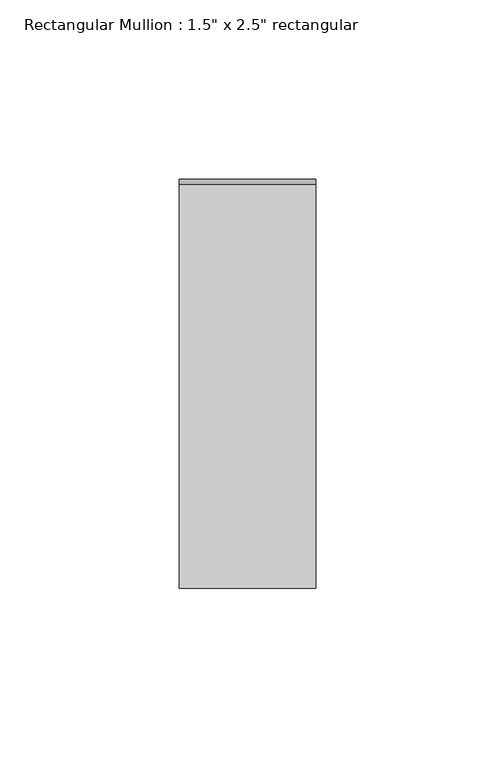
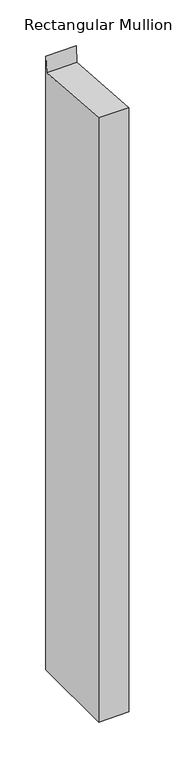
"""IFC4 building model written with IfcOpenShell, lengths in millimetres: member geometry."""

import ifcopenshell
import ifcopenshell.guid

model = None  # the IFC model being written
_history = None  # IfcOwnerHistory: only IFC2X3 demands one
_inside = {}  # id of a spatial element -> (the spatial element, [elements in it])
_under = {}  # id of a project, library or spatial element -> (it, [spatial elements below it])
_declared = {}  # id of a project -> (the project, [libraries it declares])
_typed = {}  # id of a type object -> (the type object, [elements of that type])
_made_of = {}  # id of a material, layer set ... -> (it, [elements and type objects made of it])


def new_model(schema):
    """Start an empty IFC model of exactly this schema.

    Asked for "IFC4X3", IfcOpenShell would pick the latest addendum, in which some entities
    have other attributes; the version numbers below select the first issue.
    IFC2X3 requires an IfcOwnerHistory on every rooted entity: one is made here for all.
    """
    global model, _history
    if schema == "IFC4X3":
        model = ifcopenshell.file(schema_version=(4, 3, 0, 0))
    else:
        model = ifcopenshell.file(schema=schema)
    _inside.clear()
    _under.clear()
    _declared.clear()
    _typed.clear()
    _made_of.clear()
    _history = None
    if model.schema == "IFC2X3":
        org = make("IfcOrganization", Name="unknown")
        user = make(
            "IfcPersonAndOrganization",
            ThePerson=make("IfcPerson", FamilyName="unknown"),
            TheOrganization=org,
        )
        app = make(
            "IfcApplication",
            ApplicationDeveloper=org,
            Version="unknown",
            ApplicationFullName="unknown",
            ApplicationIdentifier="unknown",
        )
        _history = make(
            "IfcOwnerHistory",
            OwningUser=user,
            OwningApplication=app,
            ChangeAction="ADDED",
            CreationDate=0,
        )
    return model


def make(cls, **values):
    """One entity of the class cls with the attributes given. An attribute that is None is left unset."""
    return model.create_entity(
        cls, **{name: value for name, value in values.items() if value is not None}
    )


def rooted(cls, **values):
    """An entity with a GlobalId (a new one), such as an element, a storey or a relation."""
    return make(cls, GlobalId=ifcopenshell.guid.new(), OwnerHistory=_history, **values)


def si_unit(unit_type, name, prefix=None):
    """IfcSIUnit, for example si_unit("LENGTHUNIT", "METRE", prefix="MILLI")."""
    return make("IfcSIUnit", UnitType=unit_type, Prefix=prefix, Name=name)


def assignment(units):
    """IfcUnitAssignment: the units of a project."""
    return None if units is None else make("IfcUnitAssignment", Units=units)


def point(xyz):
    """IfcCartesianPoint."""
    return None if xyz is None else make("IfcCartesianPoint", Coordinates=xyz)


def direction(xyz):
    """IfcDirection."""
    return None if xyz is None else make("IfcDirection", DirectionRatios=xyz)


def frame(location, z_axis=None, x_axis=None):
    """IfcAxis2Placement3D, a coordinate frame: its origin and axes. An axis left out is left unset."""
    return make(
        "IfcAxis2Placement3D",
        Location=point(location),
        Axis=direction(z_axis),
        RefDirection=direction(x_axis),
    )


def origin():
    """The frame at (0, 0, 0) with its axes left unset."""
    return frame((0.0, 0.0, 0.0))


def place(relative_to, where):
    """IfcLocalPlacement: puts the frame where relative to a parent placement (None: the world)."""
    return make(
        "IfcLocalPlacement", PlacementRelTo=relative_to, RelativePlacement=where
    )


def context(
    kind, dimensions, precision=None, world=None, true_north=None, identifier=None
):
    """IfcGeometricRepresentationContext, for example the 3D "Model" context."""
    return make(
        "IfcGeometricRepresentationContext",
        ContextIdentifier=identifier,
        ContextType=kind,
        CoordinateSpaceDimension=dimensions,
        Precision=precision,
        WorldCoordinateSystem=world,
        TrueNorth=true_north,
    )


def project(units=None, contexts=None):
    """IfcProject with its units and contexts."""
    return rooted(
        "IfcProject",
        Name="project",
        RepresentationContexts=contexts,
        UnitsInContext=assignment(units),
    )


def spatial(cls, under=None, at=None, **own):
    """A site, building, storey or space (cls), placed at a placement, below another one or the project."""
    s = rooted(cls, ObjectPlacement=at, **own)
    if under is not None:
        _under.setdefault(under.id(), (under, []))[1].append(s)
    return s


def polyline(points):
    """IfcPolyline through the points."""
    return make("IfcPolyline", Points=[point(p) for p in points])


def outline(outer, holes=None, kind="AREA"):
    """IfcArbitraryClosedProfileDef: a profile drawn as a closed curve; with holes, ...WithVoids."""
    if holes is None:
        return make("IfcArbitraryClosedProfileDef", ProfileType=kind, OuterCurve=outer)
    return make(
        "IfcArbitraryProfileDefWithVoids",
        ProfileType=kind,
        OuterCurve=outer,
        InnerCurves=holes,
    )


def extrude(swept, where, along, depth):
    """IfcExtrudedAreaSolid: the profile swept, set in the frame where, extruded along a direction by depth."""
    return make(
        "IfcExtrudedAreaSolid",
        SweptArea=swept,
        Position=where,
        ExtrudedDirection=direction(along),
        Depth=depth,
    )


def shape(context_of_items, identifier, shape_type, items):
    """IfcShapeRepresentation: the items that make up one representation, for example the "Body"."""
    return make(
        "IfcShapeRepresentation",
        ContextOfItems=context_of_items,
        RepresentationIdentifier=identifier,
        RepresentationType=shape_type,
        Items=items,
    )


def source(mapping_origin, context_of_items, identifier, shape_type, items):
    """IfcRepresentationMap: a shape defined once, which mapped items show again and again."""
    return make(
        "IfcRepresentationMap",
        MappingOrigin=mapping_origin,
        MappedRepresentation=shape(context_of_items, identifier, shape_type, items),
    )


def transform(
    local_origin,
    x_axis=None,
    y_axis=None,
    z_axis=None,
    scale=None,
    scale2=None,
    scale3=None,
    uniform=True,
):
    """IfcCartesianTransformationOperator3D, or its non-uniform kind. x_axis, y_axis, z_axis: its Axis1, 2, 3."""
    if uniform:
        return make(
            "IfcCartesianTransformationOperator3D",
            Axis1=direction(x_axis),
            Axis2=direction(y_axis),
            LocalOrigin=point(local_origin),
            Scale=scale,
            Axis3=direction(z_axis),
        )
    return make(
        "IfcCartesianTransformationOperator3DnonUniform",
        Axis1=direction(x_axis),
        Axis2=direction(y_axis),
        LocalOrigin=point(local_origin),
        Scale=scale,
        Axis3=direction(z_axis),
        Scale2=scale2,
        Scale3=scale3,
    )


def mapped(mapping_source, mapping_target):
    """IfcMappedItem: shows the shape of a source again, moved by a transform."""
    return make(
        "IfcMappedItem", MappingSource=mapping_source, MappingTarget=mapping_target
    )


def made_of(thing, what):
    """Note that an element or type object is made of a material, layer set ...; save() writes the relation."""
    if what is not None:
        _made_of.setdefault(what.id(), (what, []))[1].append(thing)
    return thing


def element(
    cls,
    number,
    at=None,
    inside=None,
    cuts=None,
    type_object=None,
    material=None,
    context=None,
    identifier="Body",
    shape_type=None,
    held_by="IfcProductDefinitionShape",
    body=None,
    shapes=None,
    **own,
):
    """One element of the class cls, such as IfcWall. Its Tag is "e" and its number.

    at: its placement. inside: the storey or other place that contains it. cuts: it is an
    opening in that element (IfcRelVoidsElement). A single representation is given by context,
    identifier, shape_type and body (its items); several are given by shapes. held_by: the class
    of the entity that holds the representations. save() writes the other relations.
    """
    e = rooted(cls, Tag="e%d" % number, ObjectPlacement=at, **own)
    if body is not None:
        shapes = [shape(context, identifier, shape_type, body)]
    if shapes is not None:
        e.Representation = make(held_by, Representations=shapes)
    if inside is not None:
        _inside.setdefault(inside.id(), (inside, []))[1].append(e)
    if cuts is not None:
        rooted(
            "IfcRelVoidsElement", RelatingBuildingElement=cuts, RelatedOpeningElement=e
        )
    if type_object is not None:
        _typed.setdefault(type_object.id(), (type_object, []))[1].append(e)
    return made_of(e, material)


def aggregate(whole, parts):
    """IfcRelAggregates: a whole, such as a stair, and the parts it consists of."""
    return rooted("IfcRelAggregates", RelatingObject=whole, RelatedObjects=parts)


def save(model, path):
    """Write the relations noted so far, then the file.

    IfcRelAggregates (storeys below a building ...), IfcRelContainedInSpatialStructure (elements
    in a storey), IfcRelDefinesByType, IfcRelAssociatesMaterial and IfcRelDeclares: one each for
    every whole, place, type object, material and project.
    """
    for whole, parts in _under.values():
        aggregate(whole, parts)
    for where, things in _inside.values():
        rooted(
            "IfcRelContainedInSpatialStructure",
            RelatedElements=things,
            RelatingStructure=where,
        )
    for kind, things in _typed.values():
        rooted("IfcRelDefinesByType", RelatedObjects=things, RelatingType=kind)
    for what, things in _made_of.values():
        rooted("IfcRelAssociatesMaterial", RelatedObjects=things, RelatingMaterial=what)
    for by, libraries in _declared.values():
        rooted("IfcRelDeclares", RelatingContext=by, RelatedDefinitions=libraries)
    model.write(path)


def member_e7457dba(model_context):
    return source(origin(), model_context, "Body", "SweptSolid", [
        extrude(outline(polyline([(-57.15, 4.0387875), (55.6453769, -4.0284971), (57.15, 17.0088826), (57.15, -798.1211995), (-57.15, -798.1211995), (-57.15, 4.0387875)])), frame((-38.1, 0.0, 0.0), z_axis=(1.0, 0.0, 0.0), x_axis=(0.0, 1.0, 0.0)), (0.0, 0.0, 1.0), 38.1),
    ])


if __name__ == "__main__":
    model = new_model("IFC4")
    model_context = context("Model", 3, world=origin())
    ifc_project = project(units=[si_unit("LENGTHUNIT", "METRE", prefix="MILLI")], contexts=[model_context])
    site = spatial("IfcSite", under=ifc_project)
    building = spatial("IfcBuilding", under=site)
    placement = place(None, origin())
    member_shape = member_e7457dba(model_context)
    element("IfcMember", 1, ObjectType="Rectangular Mullion : 1.5\" x 2.5\" rectangular", at=placement, inside=building, context=model_context, shape_type="MappedRepresentation", body=[
        mapped(member_shape, transform((0.0, 0.0, 0.0), x_axis=(1.0, 0.0, 0.0), y_axis=(0.0, 1.0, 0.0), z_axis=(0.0, 0.0, 1.0))),
    ])
    save(model, "model.ifc")
